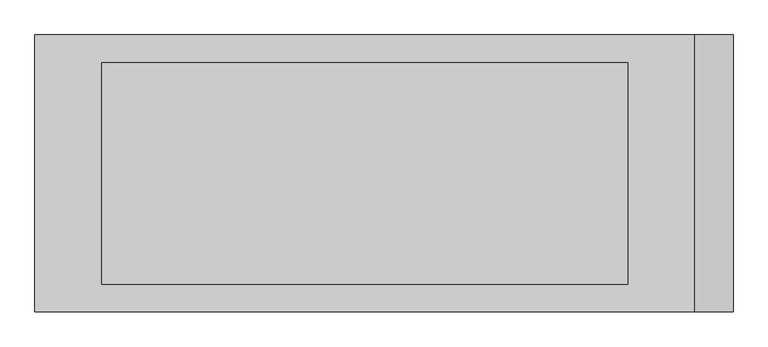
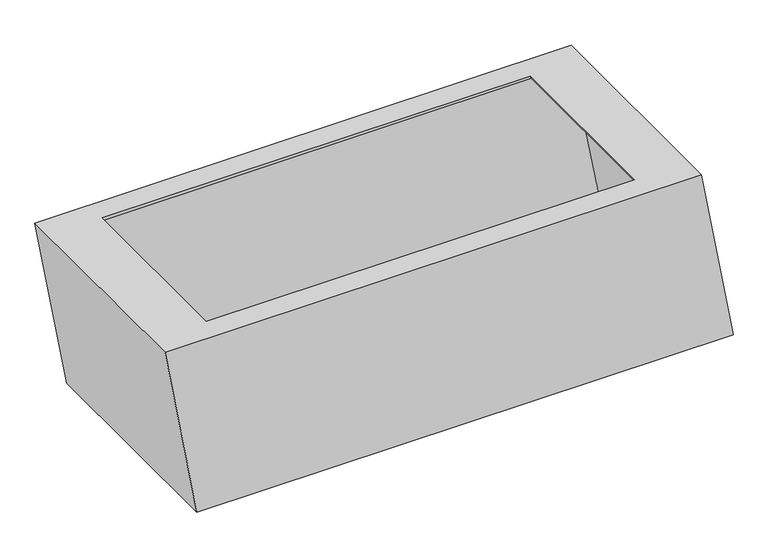
"""IFC4 building model written with IfcOpenShell, lengths in millimetres: furniture geometry."""

from ifc_helpers import new_model, si_unit, origin, place, context, project, spatial, faceted_brep, source, transform, mapped, element, save


def furniture_ab39872e(model_context):
    return source(origin(), model_context, "Body", "Brep", [
        faceted_brep([(-665.5307923, -249.9999633, 400.0), (524.4692077, -249.9999633, 400.0), (524.4692077, 250.0000367, 400.0), (-665.5307923, 250.0000367, 400.0), (404.8599588, -199.9999633, 400.0), (-545.0, -199.9999633, 400.0), (-545.0, 199.9999633, 400.0), (404.8599588, 199.9999633, 400.0), (-595.0, -250.0, 0.0), (-595.0, 250.0000367, 0.0), (595.0, 250.0000367, 0.0), (595.0, -250.0, 0.0), (-660.0, -243.9999633, 394.0), (-660.0, 243.9999633, 394.0), (515.9173492, 243.9999633, 394.0), (515.9173492, -243.9999633, 394.0), (-545.0, -199.9999633, 394.0), (406.9940711, -199.9999633, 394.0), (406.9940711, 199.9999633, 394.0), (-545.0, 199.9999633, 394.0), (-589.2341976, -243.9999633, 6.0), (587.4751393, -243.9999633, 6.0), (587.4751393, 243.9999633, 6.0), (-589.2341976, 243.9999633, 6.0)], [[[0, 1, 2, 3], [4, 5, 6, 7]], [[8, 9, 10, 11]], [[1, 0, 8, 11]], [[2, 1, 11, 10]], [[3, 2, 10, 9]], [[0, 3, 9, 8]], [[12, 13, 14, 15], [16, 17, 18, 19]], [[20, 21, 22, 23]], [[12, 15, 21, 20]], [[15, 14, 22, 21]], [[14, 13, 23, 22]], [[13, 12, 20, 23]], [[16, 5, 4, 17]], [[17, 4, 7, 18]], [[18, 7, 6, 19]], [[5, 16, 19, 6]]]),
    ])


if __name__ == "__main__":
    model = new_model("IFC4")
    model_context = context("Model", 3, world=origin())
    ifc_project = project(units=[si_unit("LENGTHUNIT", "METRE", prefix="MILLI")], contexts=[model_context])
    site = spatial("IfcSite", under=ifc_project)
    building = spatial("IfcBuilding", under=site)
    placement = place(None, origin())
    furniture_shape = furniture_ab39872e(model_context)
    element("IfcFurniture", 1, at=placement, inside=building, context=model_context, shape_type="MappedRepresentation", body=[
        mapped(furniture_shape, transform((0.0, 0.0, 0.0), x_axis=(1.0, 0.0, 0.0), y_axis=(0.0, 1.0, 0.0), z_axis=(0.0, 0.0, 1.0))),
    ])
    save(model, "model.ifc")
